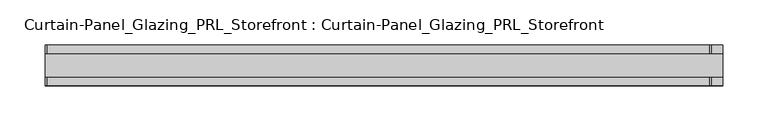
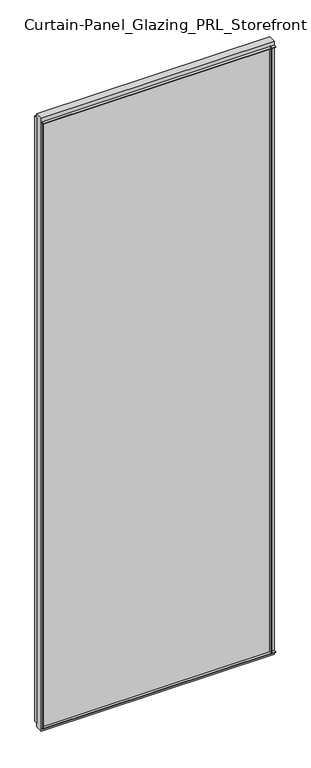
"""IFC4 building model written with IfcOpenShell, lengths in millimetres: plate geometry, Curtain-Panel_Glazing_PRL_Storefront : Curtain-Panel_Glazing_PRL_Storefront."""

import ifcopenshell
import ifcopenshell.guid

model = None  # the IFC model being written
_history = None  # IfcOwnerHistory: only IFC2X3 demands one
_inside = {}  # id of a spatial element -> (the spatial element, [elements in it])
_under = {}  # id of a project, library or spatial element -> (it, [spatial elements below it])
_declared = {}  # id of a project -> (the project, [libraries it declares])
_typed = {}  # id of a type object -> (the type object, [elements of that type])
_made_of = {}  # id of a material, layer set ... -> (it, [elements and type objects made of it])


def new_model(schema):
    """Start an empty IFC model of exactly this schema.

    Asked for "IFC4X3", IfcOpenShell would pick the latest addendum, in which some entities
    have other attributes; the version numbers below select the first issue.
    IFC2X3 requires an IfcOwnerHistory on every rooted entity: one is made here for all.
    """
    global model, _history
    if schema == "IFC4X3":
        model = ifcopenshell.file(schema_version=(4, 3, 0, 0))
    else:
        model = ifcopenshell.file(schema=schema)
    _inside.clear()
    _under.clear()
    _declared.clear()
    _typed.clear()
    _made_of.clear()
    _history = None
    if model.schema == "IFC2X3":
        org = make("IfcOrganization", Name="unknown")
        user = make(
            "IfcPersonAndOrganization",
            ThePerson=make("IfcPerson", FamilyName="unknown"),
            TheOrganization=org,
        )
        app = make(
            "IfcApplication",
            ApplicationDeveloper=org,
            Version="unknown",
            ApplicationFullName="unknown",
            ApplicationIdentifier="unknown",
        )
        _history = make(
            "IfcOwnerHistory",
            OwningUser=user,
            OwningApplication=app,
            ChangeAction="ADDED",
            CreationDate=0,
        )
    return model


def make(cls, **values):
    """One entity of the class cls with the attributes given. An attribute that is None is left unset."""
    return model.create_entity(
        cls, **{name: value for name, value in values.items() if value is not None}
    )


def rooted(cls, **values):
    """An entity with a GlobalId (a new one), such as an element, a storey or a relation."""
    return make(cls, GlobalId=ifcopenshell.guid.new(), OwnerHistory=_history, **values)


def si_unit(unit_type, name, prefix=None):
    """IfcSIUnit, for example si_unit("LENGTHUNIT", "METRE", prefix="MILLI")."""
    return make("IfcSIUnit", UnitType=unit_type, Prefix=prefix, Name=name)


def assignment(units):
    """IfcUnitAssignment: the units of a project."""
    return None if units is None else make("IfcUnitAssignment", Units=units)


def point(xyz):
    """IfcCartesianPoint."""
    return None if xyz is None else make("IfcCartesianPoint", Coordinates=xyz)


def direction(xyz):
    """IfcDirection."""
    return None if xyz is None else make("IfcDirection", DirectionRatios=xyz)


def frame(location, z_axis=None, x_axis=None):
    """IfcAxis2Placement3D, a coordinate frame: its origin and axes. An axis left out is left unset."""
    return make(
        "IfcAxis2Placement3D",
        Location=point(location),
        Axis=direction(z_axis),
        RefDirection=direction(x_axis),
    )


def origin():
    """The frame at (0, 0, 0) with its axes left unset."""
    return frame((0.0, 0.0, 0.0))


def origin_with_axes():
    """The frame at (0, 0, 0) with the z axis (0, 0, 1) and the x axis (1, 0, 0) written out."""
    return frame((0.0, 0.0, 0.0), z_axis=(0.0, 0.0, 1.0), x_axis=(1.0, 0.0, 0.0))


def place(relative_to, where):
    """IfcLocalPlacement: puts the frame where relative to a parent placement (None: the world)."""
    return make(
        "IfcLocalPlacement", PlacementRelTo=relative_to, RelativePlacement=where
    )


def context(
    kind, dimensions, precision=None, world=None, true_north=None, identifier=None
):
    """IfcGeometricRepresentationContext, for example the 3D "Model" context."""
    return make(
        "IfcGeometricRepresentationContext",
        ContextIdentifier=identifier,
        ContextType=kind,
        CoordinateSpaceDimension=dimensions,
        Precision=precision,
        WorldCoordinateSystem=world,
        TrueNorth=true_north,
    )


def project(units=None, contexts=None):
    """IfcProject with its units and contexts."""
    return rooted(
        "IfcProject",
        Name="project",
        RepresentationContexts=contexts,
        UnitsInContext=assignment(units),
    )


def spatial(cls, under=None, at=None, **own):
    """A site, building, storey or space (cls), placed at a placement, below another one or the project."""
    s = rooted(cls, ObjectPlacement=at, **own)
    if under is not None:
        _under.setdefault(under.id(), (under, []))[1].append(s)
    return s


def polyline(points):
    """IfcPolyline through the points."""
    return make("IfcPolyline", Points=[point(p) for p in points])


def outline(outer, holes=None, kind="AREA"):
    """IfcArbitraryClosedProfileDef: a profile drawn as a closed curve; with holes, ...WithVoids."""
    if holes is None:
        return make("IfcArbitraryClosedProfileDef", ProfileType=kind, OuterCurve=outer)
    return make(
        "IfcArbitraryProfileDefWithVoids",
        ProfileType=kind,
        OuterCurve=outer,
        InnerCurves=holes,
    )


def extrude(swept, where, along, depth):
    """IfcExtrudedAreaSolid: the profile swept, set in the frame where, extruded along a direction by depth."""
    return make(
        "IfcExtrudedAreaSolid",
        SweptArea=swept,
        Position=where,
        ExtrudedDirection=direction(along),
        Depth=depth,
    )


def shape(context_of_items, identifier, shape_type, items):
    """IfcShapeRepresentation: the items that make up one representation, for example the "Body"."""
    return make(
        "IfcShapeRepresentation",
        ContextOfItems=context_of_items,
        RepresentationIdentifier=identifier,
        RepresentationType=shape_type,
        Items=items,
    )


def source(mapping_origin, context_of_items, identifier, shape_type, items):
    """IfcRepresentationMap: a shape defined once, which mapped items show again and again."""
    return make(
        "IfcRepresentationMap",
        MappingOrigin=mapping_origin,
        MappedRepresentation=shape(context_of_items, identifier, shape_type, items),
    )


def transform(
    local_origin,
    x_axis=None,
    y_axis=None,
    z_axis=None,
    scale=None,
    scale2=None,
    scale3=None,
    uniform=True,
):
    """IfcCartesianTransformationOperator3D, or its non-uniform kind. x_axis, y_axis, z_axis: its Axis1, 2, 3."""
    if uniform:
        return make(
            "IfcCartesianTransformationOperator3D",
            Axis1=direction(x_axis),
            Axis2=direction(y_axis),
            LocalOrigin=point(local_origin),
            Scale=scale,
            Axis3=direction(z_axis),
        )
    return make(
        "IfcCartesianTransformationOperator3DnonUniform",
        Axis1=direction(x_axis),
        Axis2=direction(y_axis),
        LocalOrigin=point(local_origin),
        Scale=scale,
        Axis3=direction(z_axis),
        Scale2=scale2,
        Scale3=scale3,
    )


def mapped(mapping_source, mapping_target):
    """IfcMappedItem: shows the shape of a source again, moved by a transform."""
    return make(
        "IfcMappedItem", MappingSource=mapping_source, MappingTarget=mapping_target
    )


def made_of(thing, what):
    """Note that an element or type object is made of a material, layer set ...; save() writes the relation."""
    if what is not None:
        _made_of.setdefault(what.id(), (what, []))[1].append(thing)
    return thing


def element(
    cls,
    number,
    at=None,
    inside=None,
    cuts=None,
    type_object=None,
    material=None,
    context=None,
    identifier="Body",
    shape_type=None,
    held_by="IfcProductDefinitionShape",
    body=None,
    shapes=None,
    **own,
):
    """One element of the class cls, such as IfcWall. Its Tag is "e" and its number.

    at: its placement. inside: the storey or other place that contains it. cuts: it is an
    opening in that element (IfcRelVoidsElement). A single representation is given by context,
    identifier, shape_type and body (its items); several are given by shapes. held_by: the class
    of the entity that holds the representations. save() writes the other relations.
    """
    e = rooted(cls, Tag="e%d" % number, ObjectPlacement=at, **own)
    if body is not None:
        shapes = [shape(context, identifier, shape_type, body)]
    if shapes is not None:
        e.Representation = make(held_by, Representations=shapes)
    if inside is not None:
        _inside.setdefault(inside.id(), (inside, []))[1].append(e)
    if cuts is not None:
        rooted(
            "IfcRelVoidsElement", RelatingBuildingElement=cuts, RelatedOpeningElement=e
        )
    if type_object is not None:
        _typed.setdefault(type_object.id(), (type_object, []))[1].append(e)
    return made_of(e, material)


def aggregate(whole, parts):
    """IfcRelAggregates: a whole, such as a stair, and the parts it consists of."""
    return rooted("IfcRelAggregates", RelatingObject=whole, RelatedObjects=parts)


def save(model, path):
    """Write the relations noted so far, then the file.

    IfcRelAggregates (storeys below a building ...), IfcRelContainedInSpatialStructure (elements
    in a storey), IfcRelDefinesByType, IfcRelAssociatesMaterial and IfcRelDeclares: one each for
    every whole, place, type object, material and project.
    """
    for whole, parts in _under.values():
        aggregate(whole, parts)
    for where, things in _inside.values():
        rooted(
            "IfcRelContainedInSpatialStructure",
            RelatedElements=things,
            RelatingStructure=where,
        )
    for kind, things in _typed.values():
        rooted("IfcRelDefinesByType", RelatedObjects=things, RelatingType=kind)
    for what, things in _made_of.values():
        rooted("IfcRelAssociatesMaterial", RelatedObjects=things, RelatingMaterial=what)
    for by, libraries in _declared.values():
        rooted("IfcRelDeclares", RelatingContext=by, RelatedDefinitions=libraries)
    model.write(path)


def curtain_panel_glazing_prl_storefront_curtain_panel_glazing_e8dff9bf(model_context):
    return source(origin(), model_context, "Body", "SweptSolid", [
        extrude(outline(polyline([(422.275, 22.225), (422.275, 12.7), (420.6875, 12.7), (420.6875, 22.225), (422.275, 22.225)])), frame((0.0, 0.0, 12.7), z_axis=(0.0, 0.0, 1.0), x_axis=(1.0, 0.0, 0.0)), (0.0, 0.0, 1.0), 2051.05),
        extrude(outline(polyline([(422.275, -22.225), (420.6875, -22.225), (420.6875, -12.7), (422.275, -12.7), (422.275, -22.225)])), frame((0.0, 0.0, 12.7), z_axis=(0.0, 0.0, 1.0), x_axis=(1.0, 0.0, 0.0)), (0.0, 0.0, 1.0), 2051.05),
        extrude(outline(polyline([(-311.15, 22.225), (-309.5625, 22.225), (-309.5625, 12.7), (-311.15, 12.7), (-311.15, 22.225)])), frame((0.0, 0.0, 12.7), z_axis=(0.0, 0.0, 1.0), x_axis=(1.0, 0.0, 0.0)), (0.0, 0.0, 1.0), 2051.05),
        extrude(outline(polyline([(-311.15, -22.225), (-311.15, -12.7), (-309.5625, -12.7), (-309.5625, -22.225), (-311.15, -22.225)])), frame((0.0, 0.0, 12.7), z_axis=(0.0, 0.0, 1.0), x_axis=(1.0, 0.0, 0.0)), (0.0, 0.0, 1.0), 2051.05),
        extrude(outline(polyline([(434.975, -12.7), (-311.15, -12.7), (-311.15, 12.7), (434.975, 12.7), (434.975, -12.7)])), origin_with_axes(), (0.0, 0.0, 1.0), 2076.45),
        extrude(outline(polyline([(-311.15, 22.225), (434.975, 22.225), (434.975, 12.7), (-311.15, 12.7), (-311.15, 22.225)])), frame((0.0, 0.0, 2062.1625), z_axis=(0.0, 0.0, 1.0), x_axis=(1.0, 0.0, 0.0)), (0.0, 0.0, 1.0), 1.5875),
        extrude(outline(polyline([(-311.15, -22.225), (-311.15, -12.7), (434.975, -12.7), (434.975, -22.225), (-311.15, -22.225)])), frame((0.0, 0.0, 2062.1625), z_axis=(0.0, 0.0, 1.0), x_axis=(1.0, 0.0, 0.0)), (0.0, 0.0, 1.0), 1.5875),
        extrude(outline(polyline([(-311.15, 22.225), (434.975, 22.225), (434.975, 12.7), (-311.15, 12.7), (-311.15, 22.225)])), frame((0.0, 0.0, 12.7), z_axis=(0.0, 0.0, 1.0), x_axis=(1.0, 0.0, 0.0)), (0.0, 0.0, 1.0), 1.5875),
        extrude(outline(polyline([(-311.15, -22.225), (-311.15, -12.7), (434.975, -12.7), (434.975, -22.225), (-311.15, -22.225)])), frame((0.0, 0.0, 12.7), z_axis=(0.0, 0.0, 1.0), x_axis=(1.0, 0.0, 0.0)), (0.0, 0.0, 1.0), 1.5875),
    ])


if __name__ == "__main__":
    model = new_model("IFC4")
    model_context = context("Model", 3, world=origin())
    ifc_project = project(units=[si_unit("LENGTHUNIT", "METRE", prefix="MILLI")], contexts=[model_context])
    site = spatial("IfcSite", under=ifc_project)
    building = spatial("IfcBuilding", under=site)
    placement = place(None, origin())
    curtain_panel_glazing_prl_storefront_curtain_panel_glazing_shape = curtain_panel_glazing_prl_storefront_curtain_panel_glazing_e8dff9bf(model_context)
    element("IfcPlate", 1, ObjectType="Curtain-Panel_Glazing_PRL_Storefront : Curtain-Panel_Glazing_PRL_Storefront", at=placement, inside=building, context=model_context, shape_type="MappedRepresentation", body=[
        mapped(curtain_panel_glazing_prl_storefront_curtain_panel_glazing_shape, transform((0.0, 0.0, 0.0), x_axis=(1.0, 0.0, 0.0), y_axis=(0.0, 1.0, 0.0), z_axis=(0.0, 0.0, 1.0))),
    ])
    save(model, "model.ifc")
